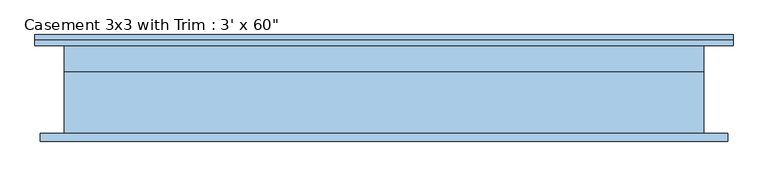
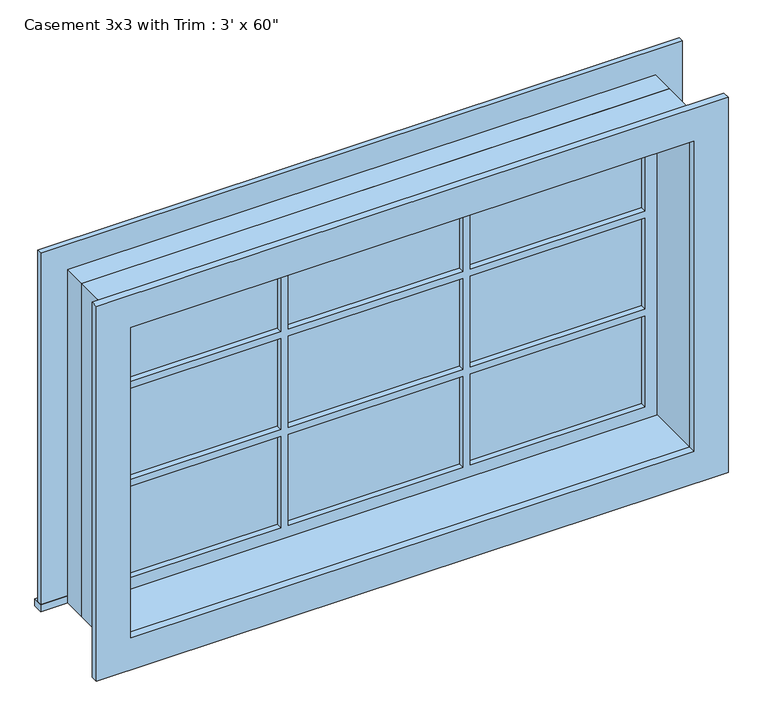
"""IFC4 building model written with IfcOpenShell, lengths in millimetres: window geometry."""

from ifc_helpers import new_model, si_unit, frame, origin, place, context, project, spatial, polyline, outline, extrude, source, transform, mapped, element, save


def window_527984eb(model_context):
    return source(origin(), model_context, "Body", "SweptSolid", [
        extrude(outline(polyline([(-831.85, 130.175), (831.85, 130.175), (831.85, 104.775), (-831.85, 104.775), (-831.85, 130.175)])), frame((0.0, 0.0, 609.6), z_axis=(0.0, 0.0, 1.0), x_axis=(1.0, 0.0, 0.0)), (0.0, 0.0, 1.0), 19.05),
        extrude(outline(polyline([(1504.95, -742.95), (1504.95, 742.95), (628.65, 742.95), (628.65, 831.85), (1593.85, 831.85), (1593.85, -831.85), (628.65, -831.85), (628.65, -742.95), (1504.95, -742.95)])), frame((0.0, 104.775, 0.0), z_axis=(0.0, 1.0, 0.0), x_axis=(0.0, 0.0, 1.0)), (0.0, 0.0, 1.0), 12.7),
        extrude(outline(polyline([(245.5333333, 69.85), (698.5, 69.85), (698.5, 57.15), (245.5333333, 57.15), (245.5333333, 69.85)])), frame((0.0, 0.0, 1210.7333333), z_axis=(0.0, 0.0, 1.0), x_axis=(1.0, 0.0, 0.0)), (0.0, 0.0, 1.0), 249.7666667),
        extrude(outline(polyline([(-226.4833333, 69.85), (226.4833333, 69.85), (226.4833333, 57.15), (-226.4833333, 57.15), (-226.4833333, 69.85)])), frame((0.0, 0.0, 1210.7333333), z_axis=(0.0, 0.0, 1.0), x_axis=(1.0, 0.0, 0.0)), (0.0, 0.0, 1.0), 249.7666667),
        extrude(outline(polyline([(-698.5, 69.85), (-245.5333333, 69.85), (-245.5333333, 57.15), (-698.5, 57.15), (-698.5, 69.85)])), frame((0.0, 0.0, 1210.7333333), z_axis=(0.0, 0.0, 1.0), x_axis=(1.0, 0.0, 0.0)), (0.0, 0.0, 1.0), 249.7666667),
        extrude(outline(polyline([(-698.5, 69.85), (-245.5333333, 69.85), (-245.5333333, 57.15), (-698.5, 57.15), (-698.5, 69.85)])), frame((0.0, 0.0, 941.9166667), z_axis=(0.0, 0.0, 1.0), x_axis=(1.0, 0.0, 0.0)), (0.0, 0.0, 1.0), 249.7666667),
        extrude(outline(polyline([(-226.4833333, 69.85), (226.4833333, 69.85), (226.4833333, 57.15), (-226.4833333, 57.15), (-226.4833333, 69.85)])), frame((0.0, 0.0, 941.9166667), z_axis=(0.0, 0.0, 1.0), x_axis=(1.0, 0.0, 0.0)), (0.0, 0.0, 1.0), 249.7666667),
        extrude(outline(polyline([(245.5333333, 69.85), (698.5, 69.85), (698.5, 57.15), (245.5333333, 57.15), (245.5333333, 69.85)])), frame((0.0, 0.0, 941.9166667), z_axis=(0.0, 0.0, 1.0), x_axis=(1.0, 0.0, 0.0)), (0.0, 0.0, 1.0), 249.7666667),
        extrude(outline(polyline([(245.5333333, 69.85), (698.5, 69.85), (698.5, 57.15), (245.5333333, 57.15), (245.5333333, 69.85)])), frame((0.0, 0.0, 673.1), z_axis=(0.0, 0.0, 1.0), x_axis=(1.0, 0.0, 0.0)), (0.0, 0.0, 1.0), 249.7666667),
        extrude(outline(polyline([(-226.4833333, 69.85), (226.4833333, 69.85), (226.4833333, 57.15), (-226.4833333, 57.15), (-226.4833333, 69.85)])), frame((0.0, 0.0, 673.1), z_axis=(0.0, 0.0, 1.0), x_axis=(1.0, 0.0, 0.0)), (0.0, 0.0, 1.0), 249.7666667),
        extrude(outline(polyline([(-698.5, 69.85), (-245.5333333, 69.85), (-245.5333333, 57.15), (-698.5, 57.15), (-698.5, 69.85)])), frame((0.0, 0.0, 673.1), z_axis=(0.0, 0.0, 1.0), x_axis=(1.0, 0.0, 0.0)), (0.0, 0.0, 1.0), 249.7666667),
        extrude(outline(polyline([(1581.15, 819.15), (1581.15, -819.15), (552.45, -819.15), (552.45, 819.15), (1581.15, 819.15)]), holes=[polyline([(1492.25, 730.25), (641.35, 730.25), (641.35, -730.25), (1492.25, -730.25), (1492.25, 730.25)])]), frame((0.0, -123.825, 0.0), z_axis=(0.0, 1.0, 0.0), x_axis=(0.0, 0.0, 1.0)), (0.0, 0.0, 1.0), 19.05),
        extrude(outline(polyline([(1504.95, -742.95), (628.65, -742.95), (628.65, 742.95), (1504.95, 742.95), (1504.95, -742.95)]), holes=[polyline([(1460.5, -245.5333333), (1210.7333333, -245.5333333), (1210.7333333, -698.5), (1460.5, -698.5), (1460.5, -245.5333333)]), polyline([(1191.6833333, -245.5333333), (941.9166667, -245.5333333), (941.9166667, -698.5), (1191.6833333, -698.5), (1191.6833333, -245.5333333)]), polyline([(922.8666667, -245.5333333), (673.1, -245.5333333), (673.1, -698.5), (922.8666667, -698.5), (922.8666667, -245.5333333)]), polyline([(1460.5, 226.4833333), (1210.7333333, 226.4833333), (1210.7333333, -226.4833333), (1460.5, -226.4833333), (1460.5, 226.4833333)]), polyline([(1191.6833333, 226.4833333), (941.9166667, 226.4833333), (941.9166667, -226.4833333), (1191.6833333, -226.4833333), (1191.6833333, 226.4833333)]), polyline([(922.8666667, 226.4833333), (673.1, 226.4833333), (673.1, -226.4833333), (922.8666667, -226.4833333), (922.8666667, 226.4833333)]), polyline([(1460.5, 698.5), (1210.7333333, 698.5), (1210.7333333, 245.5333333), (1460.5, 245.5333333), (1460.5, 698.5)]), polyline([(1191.6833333, 698.5), (941.9166667, 698.5), (941.9166667, 245.5333333), (1191.6833333, 245.5333333), (1191.6833333, 698.5)]), polyline([(922.8666667, 698.5), (673.1, 698.5), (673.1, 245.5333333), (922.8666667, 245.5333333), (922.8666667, 698.5)])]), frame((0.0, 41.275, 0.0), z_axis=(0.0, 1.0, 0.0), x_axis=(0.0, 0.0, 1.0)), (0.0, 0.0, 1.0), 44.45),
        extrude(outline(polyline([(1524.0, -762.0), (609.6, -762.0), (609.6, 762.0), (1524.0, 762.0), (1524.0, -762.0)]), holes=[polyline([(1492.25, -730.25), (1492.25, 730.25), (641.35, 730.25), (641.35, -730.25), (1492.25, -730.25)])]), frame((0.0, -104.775, 0.0), z_axis=(0.0, 1.0, 0.0), x_axis=(0.0, 0.0, 1.0)), (0.0, 0.0, 1.0), 146.05),
        extrude(outline(polyline([(1524.0, 762.0), (1524.0, -762.0), (609.6, -762.0), (609.6, 762.0), (1524.0, 762.0)]), holes=[polyline([(1504.95, 742.95), (628.65, 742.95), (628.65, -742.95), (1504.95, -742.95), (1504.95, 742.95)])]), frame((0.0, 41.275, 0.0), z_axis=(0.0, 1.0, 0.0), x_axis=(0.0, 0.0, 1.0)), (0.0, 0.0, 1.0), 63.5),
    ])


if __name__ == "__main__":
    model = new_model("IFC4")
    model_context = context("Model", 3, world=origin())
    ifc_project = project(units=[si_unit("LENGTHUNIT", "METRE", prefix="MILLI")], contexts=[model_context])
    site = spatial("IfcSite", under=ifc_project)
    building = spatial("IfcBuilding", under=site)
    placement = place(None, origin())
    window_shape = window_527984eb(model_context)
    element("IfcWindow", 1, ObjectType="Casement 3x3 with Trim : 3' x 60\"", at=placement, inside=building, context=model_context, shape_type="MappedRepresentation", body=[
        mapped(window_shape, transform((0.0, 0.0, 0.0), x_axis=(1.0, 0.0, 0.0), y_axis=(0.0, 1.0, 0.0), z_axis=(0.0, 0.0, 1.0))),
    ])
    save(model, "model.ifc")
